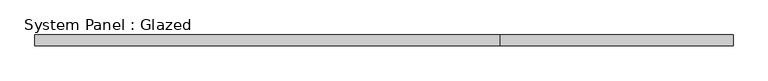
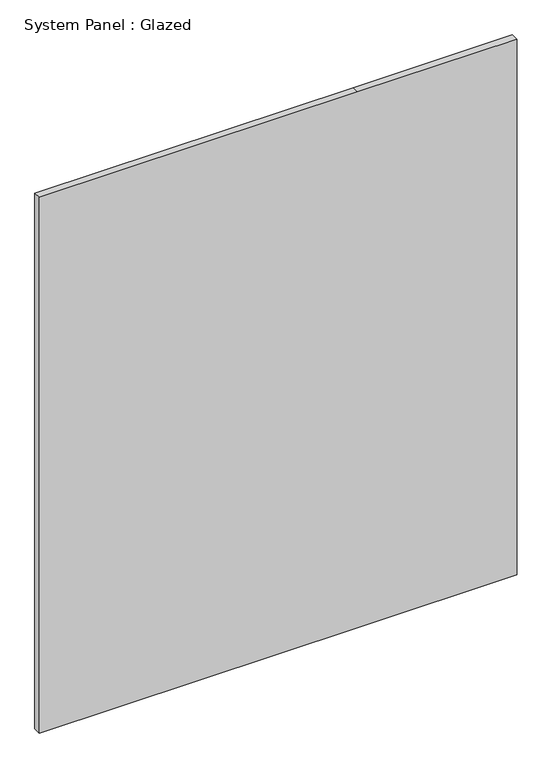
"""IFC4 building model written with IfcOpenShell, lengths in millimetres: plate geometry, System Panel : Glazed."""

from ifc_helpers import new_model, si_unit, frame, origin, place, context, project, spatial, polyline, outline, extrude, source, transform, mapped, element, save


def system_panel_glazed_a6af2c39(model_context):
    return source(origin(), model_context, "Body", "SweptSolid", [
        extrude(outline(polyline([(0.0, -796.1842107), (0.0, 265.3947369), (0.0, 796.1842107), (1886.6666667, 796.1842107), (1886.6666667, 265.3947369), (1886.6666667, -796.1842107), (0.0, -796.1842107)])), frame((0.0, 52.5, 0.0), z_axis=(0.0, 1.0, 0.0), x_axis=(0.0, 0.0, 1.0)), (0.0, 0.0, 1.0), 25.0),
    ])


if __name__ == "__main__":
    model = new_model("IFC4")
    model_context = context("Model", 3, world=origin())
    ifc_project = project(units=[si_unit("LENGTHUNIT", "METRE", prefix="MILLI")], contexts=[model_context])
    site = spatial("IfcSite", under=ifc_project)
    building = spatial("IfcBuilding", under=site)
    placement = place(None, origin())
    system_panel_glazed_shape = system_panel_glazed_a6af2c39(model_context)
    element("IfcPlate", 1, ObjectType="System Panel : Glazed", at=placement, inside=building, context=model_context, shape_type="MappedRepresentation", body=[
        mapped(system_panel_glazed_shape, transform((0.0, 0.0, 0.0), x_axis=(1.0, 0.0, 0.0), y_axis=(0.0, 1.0, 0.0), z_axis=(0.0, 0.0, 1.0))),
    ])
    save(model, "model.ifc")
